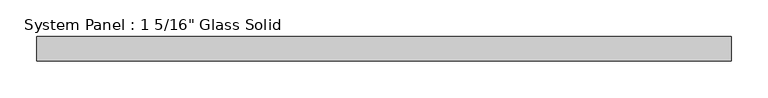
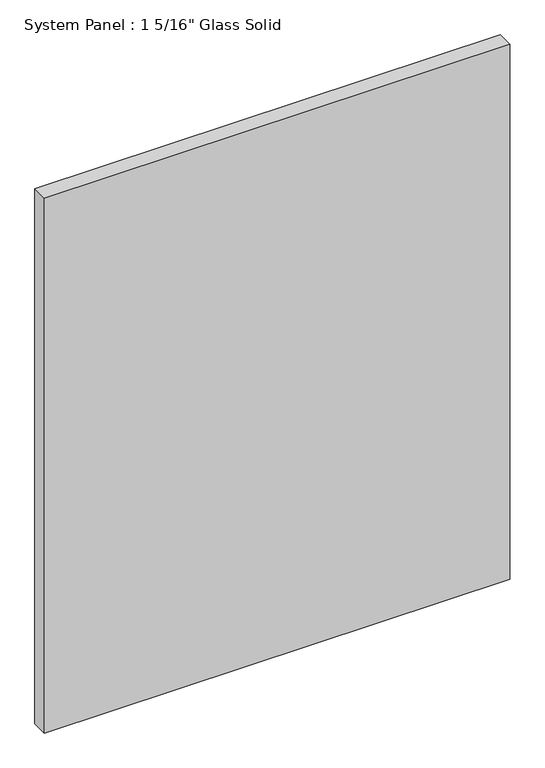
"""IFC4 building model written with IfcOpenShell, lengths in millimetres: plate geometry."""

from ifc_helpers import new_model, si_unit, origin, origin_with_axes, place, context, project, spatial, polyline, outline, extrude, source, transform, mapped, element, save


def plate_c39ae882(model_context):
    return source(origin(), model_context, "Body", "SweptSolid", [
        extrude(outline(polyline([(472.4952987, -16.66875), (-472.4952987, -16.66875), (-472.4952987, 16.66875), (472.4952987, 16.66875), (472.4952987, -16.66875)])), origin_with_axes(), (0.0, 0.0, 1.0), 1148.1923678),
    ])


if __name__ == "__main__":
    model = new_model("IFC4")
    model_context = context("Model", 3, world=origin())
    ifc_project = project(units=[si_unit("LENGTHUNIT", "METRE", prefix="MILLI")], contexts=[model_context])
    site = spatial("IfcSite", under=ifc_project)
    building = spatial("IfcBuilding", under=site)
    placement = place(None, origin())
    plate_shape = plate_c39ae882(model_context)
    element("IfcPlate", 1, ObjectType="System Panel : 1 5/16\" Glass Solid", at=placement, inside=building, context=model_context, shape_type="MappedRepresentation", body=[
        mapped(plate_shape, transform((0.0, 0.0, 0.0), x_axis=(1.0, 0.0, 0.0), y_axis=(0.0, 1.0, 0.0), z_axis=(0.0, 0.0, 1.0))),
    ])
    save(model, "model.ifc")
